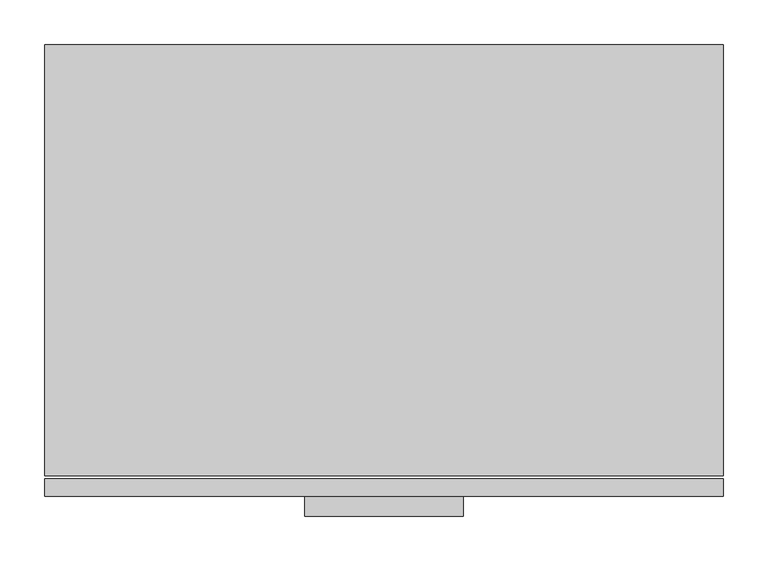
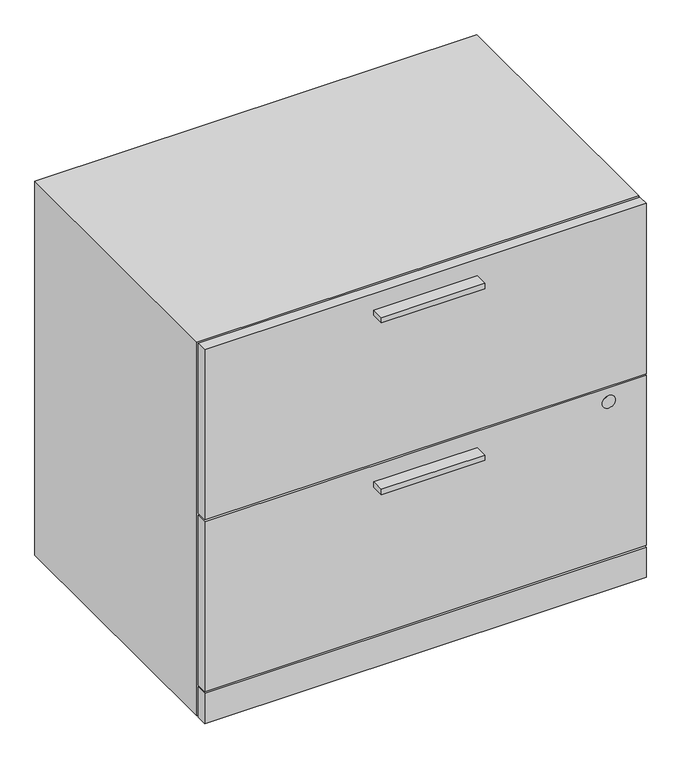
"""IFC4 building model written with IfcOpenShell, lengths in millimetres: furniture geometry."""

from ifc_helpers import new_model, si_unit, point, frame, frame_2d, origin, origin_with_axes, place, context, project, spatial, polyline, circle_curve, trimmed, segment, composite_curve, outline, extrude, faceted_brep, source, transform, mapped, element, save


def furniture_602970ab(model_context):
    return source(origin(), model_context, "Body", "SolidModel", [
        extrude(outline(polyline([(468.3125, -527.05), (290.5125, -527.05), (290.5125, -504.825), (468.3125, -504.825), (468.3125, -527.05)])), frame((0.0, 0.0, 331.4446), z_axis=(0.0, 0.0, 1.0), x_axis=(1.0, 0.0, 0.0)), (0.0, 0.0, 1.0), 9.525),
        extrude(outline(polyline([(468.3125, -527.05), (290.5125, -527.05), (290.5125, -504.825), (468.3125, -504.825), (468.3125, -527.05)])), frame((0.0, 0.0, 643.382), z_axis=(0.0, 0.0, 1.0), x_axis=(1.0, 0.0, 0.0)), (0.0, 0.0, 1.0), 9.525),
        extrude(outline(composite_curve([segment(trimmed(circle_curve(frame_2d((345.2876, 694.1566)), 11.18616), [point((345.2876, 705.34276))], [point((345.2876, 682.97044))], False, "CARTESIAN"), True, "CONTINUOUS"), segment(trimmed(circle_curve(frame_2d((345.2876, 694.1566)), 11.18616), [point((345.2876, 682.97044))], [point((345.2876, 705.34276))], False, "CARTESIAN"), True, "CONTINUOUS")], self_intersect=False)), frame((0.0, -505.079, 0.0), z_axis=(0.0, 1.0, 0.0), x_axis=(0.0, 0.0, 1.0)), (0.0, 0.0, 1.0), 4.69392),
        extrude(outline(polyline([(758.825, -485.521), (758.825, -504.825), (0.0, -504.825), (0.0, -485.521), (758.825, -485.521)])), frame((0.0, 0.0, 61.9252), z_axis=(0.0, 0.0, 1.0), x_axis=(1.0, 0.0, 0.0)), (0.0, 0.0, 1.0), 308.7624),
        extrude(outline(polyline([(758.825, -485.521), (758.825, -504.825), (0.0, -504.825), (0.0, -485.521), (758.825, -485.521)])), frame((0.0, 0.0, 373.8626), z_axis=(0.0, 0.0, 1.0), x_axis=(1.0, 0.0, 0.0)), (0.0, 0.0, 1.0), 308.7624),
        extrude(outline(polyline([(758.825, -485.521), (758.825, -504.825), (0.0, -504.825), (0.0, -485.521), (758.825, -485.521)])), frame((0.0, 0.0, 3.5814), z_axis=(0.0, 0.0, 1.0), x_axis=(1.0, 0.0, 0.0)), (0.0, 0.0, 1.0), 55.1688),
        extrude(outline(polyline([(44.5897, -26.1874), (60.2488, -35.2281856), (60.2488, -53.3097568), (44.5897, -62.3505424), (28.9306, -53.3097568), (28.9306, -35.2281856), (44.5897, -26.1874)])), origin_with_axes(), (0.0, 0.0, 1.0), 8.4328),
        extrude(outline(polyline([(44.5897, -478.6376), (28.9306, -469.5968144), (28.9306, -451.5152432), (44.5897, -442.4744576), (60.2488, -451.5152432), (60.2488, -469.5968144), (44.5897, -478.6376)])), origin_with_axes(), (0.0, 0.0, 1.0), 8.4328),
        extrude(outline(polyline([(714.2353, -26.1874), (729.8944, -35.2281856), (729.8944, -53.3097568), (714.2353, -62.3505424), (698.5762, -53.3097568), (698.5762, -35.2281856), (714.2353, -26.1874)])), origin_with_axes(), (0.0, 0.0, 1.0), 8.4328),
        extrude(outline(polyline([(714.2353, -478.6376), (698.5762, -469.5968144), (698.5762, -451.5152432), (714.2353, -442.4744576), (729.8944, -451.5152432), (729.8944, -469.5968144), (714.2353, -478.6376)])), origin_with_axes(), (0.0, 0.0, 1.0), 8.4328),
        faceted_brep([(758.825, -481.7618, 682.625), (0.0, -481.7618, 682.625), (0.0, -481.7618, 3.5814), (758.825, -481.7618, 3.5814), (19.304, -481.7618, 663.321), (739.521, -481.7618, 663.321), (739.521, -481.7618, 58.7502), (19.304, -481.7618, 58.7502), (758.825, 0.0, 682.625), (758.825, 0.0, 3.5814), (0.0, 0.0, 3.5814), (0.0, 0.0, 682.625), (739.521, -19.304, 663.321), (19.304, -19.304, 663.321), (19.304, -19.304, 58.7502), (739.521, -19.304, 58.7502)], [[[0, 1, 2, 3], [4, 5, 6, 7]], [[8, 9, 10, 11]], [[1, 0, 8, 11]], [[2, 1, 11, 10]], [[0, 3, 9, 8]], [[12, 13, 14, 15]], [[13, 12, 5, 4]], [[14, 13, 4, 7]], [[15, 14, 7, 6]], [[12, 15, 6, 5]], [[3, 2, 10, 9]]]),
    ])


if __name__ == "__main__":
    model = new_model("IFC4")
    model_context = context("Model", 3, world=origin())
    ifc_project = project(units=[si_unit("LENGTHUNIT", "METRE", prefix="MILLI")], contexts=[model_context])
    site = spatial("IfcSite", under=ifc_project)
    building = spatial("IfcBuilding", under=site)
    placement = place(None, origin())
    furniture_shape = furniture_602970ab(model_context)
    element("IfcFurniture", 1, at=placement, inside=building, context=model_context, shape_type="MappedRepresentation", body=[
        mapped(furniture_shape, transform((0.0, 0.0, 0.0), x_axis=(1.0, 0.0, 0.0), y_axis=(0.0, 1.0, 0.0), z_axis=(0.0, 0.0, 1.0))),
    ])
    save(model, "model.ifc")
